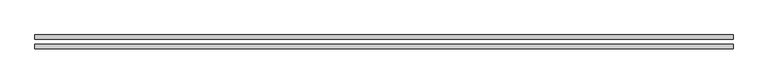
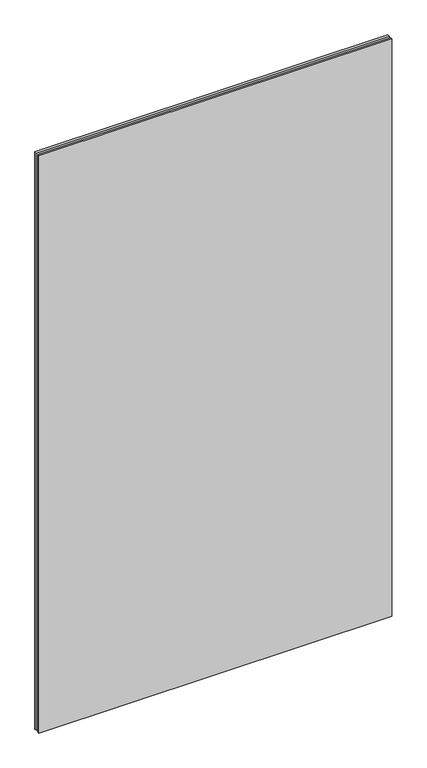
"""IFC4 building model written with IfcOpenShell, lengths in millimetres: plate geometry."""

from ifc_helpers import new_model, si_unit, origin, origin_with_axes, place, context, project, spatial, polyline, outline, extrude, source, transform, mapped, element, save


def plate_f3c32812(model_context):
    return source(origin(), model_context, "Body", "SweptSolid", [
        extrude(outline(polyline([(632.5, -4.5), (632.5, -12.5), (-632.5, -12.5), (-632.5, -4.5), (632.5, -4.5)])), origin_with_axes(), (0.0, 0.0, 1.0), 2187.5),
        extrude(outline(polyline([(632.5, 4.5), (-632.5, 4.5), (-632.5, 12.5), (632.5, 12.5), (632.5, 4.5)])), origin_with_axes(), (0.0, 0.0, 1.0), 2187.5),
    ])


if __name__ == "__main__":
    model = new_model("IFC4")
    model_context = context("Model", 3, world=origin())
    ifc_project = project(units=[si_unit("LENGTHUNIT", "METRE", prefix="MILLI")], contexts=[model_context])
    site = spatial("IfcSite", under=ifc_project)
    building = spatial("IfcBuilding", under=site)
    placement = place(None, origin())
    plate_shape = plate_f3c32812(model_context)
    element("IfcPlate", 1, at=placement, inside=building, context=model_context, shape_type="MappedRepresentation", body=[
        mapped(plate_shape, transform((0.0, 0.0, 0.0), x_axis=(1.0, 0.0, 0.0), y_axis=(0.0, 1.0, 0.0), z_axis=(0.0, 0.0, 1.0))),
    ])
    save(model, "model.ifc")
